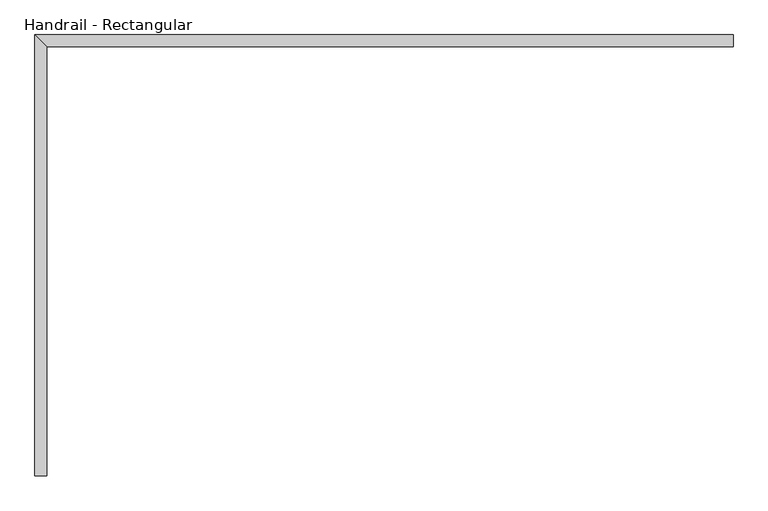
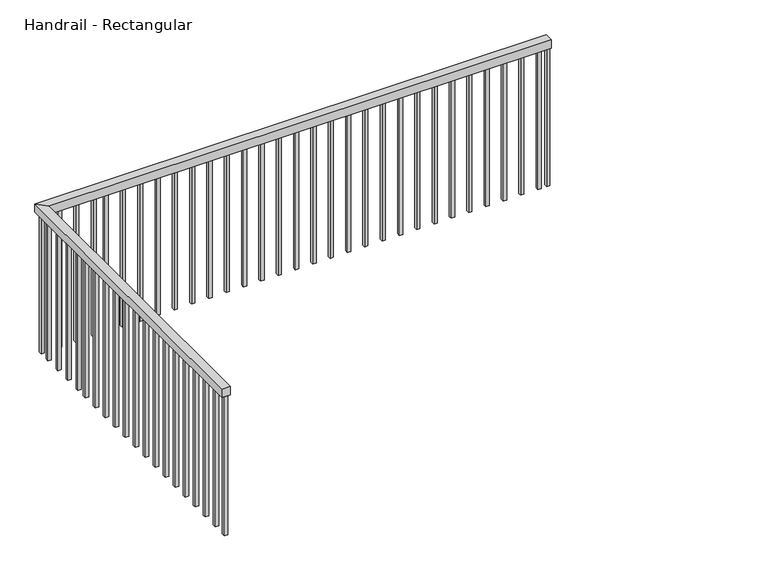
"""IFC4 building model written with IfcOpenShell, lengths in millimetres: railing geometry, Handrail - Rectangular."""

from ifc_helpers import new_model, si_unit, frame, origin, place, context, project, spatial, polyline, outline, extrude, faceted_brep, source, transform, mapped, element, save


def handrail_rectangular_eb7bdd3a(model_context):
    return source(origin(), model_context, "Body", "SolidModel", [
        faceted_brep([(-3486.8931506, 2340.0143899, 4204.4), (-3537.6931506, 2340.0143899, 4204.4), (-3537.6931506, 2340.0143899, 4153.6), (-3486.8931506, 2340.0143899, 4153.6), (-3486.8931506, 4186.2596911, 4204.4), (-3537.6931506, 4237.0596911, 4204.4), (-3537.6931506, 4237.0596911, 4153.6), (-3486.8931506, 4186.2596911, 4153.6), (-537.6931506, 4186.2596911, 4204.4), (-537.6931506, 4186.2596911, 4153.6), (-537.6931506, 4237.0596911, 4153.6), (-537.6931506, 4237.0596911, 4204.4)], [[[0, 1, 2, 3]], [[1, 0, 4, 5]], [[2, 1, 5, 6]], [[3, 2, 6, 7]], [[0, 3, 7, 4]], [[8, 9, 10, 11]], [[5, 4, 8, 11]], [[6, 5, 11, 10]], [[7, 6, 10, 9]], [[4, 7, 9, 8]]]),
        extrude(outline(polyline([(-607.2181506, 4202.1346911), (-607.2181506, 4221.1846911), (-588.1681506, 4221.1846911), (-588.1681506, 4202.1346911), (-607.2181506, 4202.1346911)])), frame((0.0, 0.0, 3290.0), z_axis=(0.0, 0.0, 1.0), x_axis=(1.0, 0.0, 0.0)), (0.0, 0.0, 1.0), 863.6),
        extrude(outline(polyline([(-708.8181506, 4202.1346911), (-708.8181506, 4221.1846911), (-689.7681506, 4221.1846911), (-689.7681506, 4202.1346911), (-708.8181506, 4202.1346911)])), frame((0.0, 0.0, 3290.0), z_axis=(0.0, 0.0, 1.0), x_axis=(1.0, 0.0, 0.0)), (0.0, 0.0, 1.0), 863.6),
        extrude(outline(polyline([(-810.4181506, 4202.1346911), (-810.4181506, 4221.1846911), (-791.3681506, 4221.1846911), (-791.3681506, 4202.1346911), (-810.4181506, 4202.1346911)])), frame((0.0, 0.0, 3290.0), z_axis=(0.0, 0.0, 1.0), x_axis=(1.0, 0.0, 0.0)), (0.0, 0.0, 1.0), 863.6),
        extrude(outline(polyline([(-912.0181506, 4202.1346911), (-912.0181506, 4221.1846911), (-892.9681506, 4221.1846911), (-892.9681506, 4202.1346911), (-912.0181506, 4202.1346911)])), frame((0.0, 0.0, 3290.0), z_axis=(0.0, 0.0, 1.0), x_axis=(1.0, 0.0, 0.0)), (0.0, 0.0, 1.0), 863.6),
        extrude(outline(polyline([(-1013.6181506, 4202.1346911), (-1013.6181506, 4221.1846911), (-994.5681506, 4221.1846911), (-994.5681506, 4202.1346911), (-1013.6181506, 4202.1346911)])), frame((0.0, 0.0, 3290.0), z_axis=(0.0, 0.0, 1.0), x_axis=(1.0, 0.0, 0.0)), (0.0, 0.0, 1.0), 863.6),
        extrude(outline(polyline([(-1115.2181506, 4202.1346911), (-1115.2181506, 4221.1846911), (-1096.1681506, 4221.1846911), (-1096.1681506, 4202.1346911), (-1115.2181506, 4202.1346911)])), frame((0.0, 0.0, 3290.0), z_axis=(0.0, 0.0, 1.0), x_axis=(1.0, 0.0, 0.0)), (0.0, 0.0, 1.0), 863.6),
        extrude(outline(polyline([(-1216.8181506, 4202.1346911), (-1216.8181506, 4221.1846911), (-1197.7681506, 4221.1846911), (-1197.7681506, 4202.1346911), (-1216.8181506, 4202.1346911)])), frame((0.0, 0.0, 3290.0), z_axis=(0.0, 0.0, 1.0), x_axis=(1.0, 0.0, 0.0)), (0.0, 0.0, 1.0), 863.6),
        extrude(outline(polyline([(-1318.4181506, 4202.1346911), (-1318.4181506, 4221.1846911), (-1299.3681506, 4221.1846911), (-1299.3681506, 4202.1346911), (-1318.4181506, 4202.1346911)])), frame((0.0, 0.0, 3290.0), z_axis=(0.0, 0.0, 1.0), x_axis=(1.0, 0.0, 0.0)), (0.0, 0.0, 1.0), 863.6),
        extrude(outline(polyline([(-1420.0181506, 4202.1346911), (-1420.0181506, 4221.1846911), (-1400.9681506, 4221.1846911), (-1400.9681506, 4202.1346911), (-1420.0181506, 4202.1346911)])), frame((0.0, 0.0, 3290.0), z_axis=(0.0, 0.0, 1.0), x_axis=(1.0, 0.0, 0.0)), (0.0, 0.0, 1.0), 863.6),
        extrude(outline(polyline([(-1521.6181506, 4202.1346911), (-1521.6181506, 4221.1846911), (-1502.5681506, 4221.1846911), (-1502.5681506, 4202.1346911), (-1521.6181506, 4202.1346911)])), frame((0.0, 0.0, 3290.0), z_axis=(0.0, 0.0, 1.0), x_axis=(1.0, 0.0, 0.0)), (0.0, 0.0, 1.0), 863.6),
        extrude(outline(polyline([(-1623.2181506, 4202.1346911), (-1623.2181506, 4221.1846911), (-1604.1681506, 4221.1846911), (-1604.1681506, 4202.1346911), (-1623.2181506, 4202.1346911)])), frame((0.0, 0.0, 3290.0), z_axis=(0.0, 0.0, 1.0), x_axis=(1.0, 0.0, 0.0)), (0.0, 0.0, 1.0), 863.6),
        extrude(outline(polyline([(-1724.8181506, 4202.1346911), (-1724.8181506, 4221.1846911), (-1705.7681506, 4221.1846911), (-1705.7681506, 4202.1346911), (-1724.8181506, 4202.1346911)])), frame((0.0, 0.0, 3290.0), z_axis=(0.0, 0.0, 1.0), x_axis=(1.0, 0.0, 0.0)), (0.0, 0.0, 1.0), 863.6),
        extrude(outline(polyline([(-1826.4181506, 4202.1346911), (-1826.4181506, 4221.1846911), (-1807.3681506, 4221.1846911), (-1807.3681506, 4202.1346911), (-1826.4181506, 4202.1346911)])), frame((0.0, 0.0, 3290.0), z_axis=(0.0, 0.0, 1.0), x_axis=(1.0, 0.0, 0.0)), (0.0, 0.0, 1.0), 863.6),
        extrude(outline(polyline([(-1928.0181506, 4202.1346911), (-1928.0181506, 4221.1846911), (-1908.9681506, 4221.1846911), (-1908.9681506, 4202.1346911), (-1928.0181506, 4202.1346911)])), frame((0.0, 0.0, 3290.0), z_axis=(0.0, 0.0, 1.0), x_axis=(1.0, 0.0, 0.0)), (0.0, 0.0, 1.0), 863.6),
        extrude(outline(polyline([(-2029.6181506, 4202.1346911), (-2029.6181506, 4221.1846911), (-2010.5681506, 4221.1846911), (-2010.5681506, 4202.1346911), (-2029.6181506, 4202.1346911)])), frame((0.0, 0.0, 3290.0), z_axis=(0.0, 0.0, 1.0), x_axis=(1.0, 0.0, 0.0)), (0.0, 0.0, 1.0), 863.6),
        extrude(outline(polyline([(-2131.2181506, 4202.1346911), (-2131.2181506, 4221.1846911), (-2112.1681506, 4221.1846911), (-2112.1681506, 4202.1346911), (-2131.2181506, 4202.1346911)])), frame((0.0, 0.0, 3290.0), z_axis=(0.0, 0.0, 1.0), x_axis=(1.0, 0.0, 0.0)), (0.0, 0.0, 1.0), 863.6),
        extrude(outline(polyline([(-2232.8181506, 4202.1346911), (-2232.8181506, 4221.1846911), (-2213.7681506, 4221.1846911), (-2213.7681506, 4202.1346911), (-2232.8181506, 4202.1346911)])), frame((0.0, 0.0, 3290.0), z_axis=(0.0, 0.0, 1.0), x_axis=(1.0, 0.0, 0.0)), (0.0, 0.0, 1.0), 863.6),
        extrude(outline(polyline([(-2334.4181506, 4202.1346911), (-2334.4181506, 4221.1846911), (-2315.3681506, 4221.1846911), (-2315.3681506, 4202.1346911), (-2334.4181506, 4202.1346911)])), frame((0.0, 0.0, 3290.0), z_axis=(0.0, 0.0, 1.0), x_axis=(1.0, 0.0, 0.0)), (0.0, 0.0, 1.0), 863.6),
        extrude(outline(polyline([(-2436.0181506, 4202.1346911), (-2436.0181506, 4221.1846911), (-2416.9681506, 4221.1846911), (-2416.9681506, 4202.1346911), (-2436.0181506, 4202.1346911)])), frame((0.0, 0.0, 3290.0), z_axis=(0.0, 0.0, 1.0), x_axis=(1.0, 0.0, 0.0)), (0.0, 0.0, 1.0), 863.6),
        extrude(outline(polyline([(-2537.6181506, 4202.1346911), (-2537.6181506, 4221.1846911), (-2518.5681506, 4221.1846911), (-2518.5681506, 4202.1346911), (-2537.6181506, 4202.1346911)])), frame((0.0, 0.0, 3290.0), z_axis=(0.0, 0.0, 1.0), x_axis=(1.0, 0.0, 0.0)), (0.0, 0.0, 1.0), 863.6),
        extrude(outline(polyline([(-2639.2181506, 4202.1346911), (-2639.2181506, 4221.1846911), (-2620.1681506, 4221.1846911), (-2620.1681506, 4202.1346911), (-2639.2181506, 4202.1346911)])), frame((0.0, 0.0, 3290.0), z_axis=(0.0, 0.0, 1.0), x_axis=(1.0, 0.0, 0.0)), (0.0, 0.0, 1.0), 863.6),
        extrude(outline(polyline([(-2740.8181506, 4202.1346911), (-2740.8181506, 4221.1846911), (-2721.7681506, 4221.1846911), (-2721.7681506, 4202.1346911), (-2740.8181506, 4202.1346911)])), frame((0.0, 0.0, 3290.0), z_axis=(0.0, 0.0, 1.0), x_axis=(1.0, 0.0, 0.0)), (0.0, 0.0, 1.0), 863.6),
        extrude(outline(polyline([(-2842.4181506, 4202.1346911), (-2842.4181506, 4221.1846911), (-2823.3681506, 4221.1846911), (-2823.3681506, 4202.1346911), (-2842.4181506, 4202.1346911)])), frame((0.0, 0.0, 3290.0), z_axis=(0.0, 0.0, 1.0), x_axis=(1.0, 0.0, 0.0)), (0.0, 0.0, 1.0), 863.6),
        extrude(outline(polyline([(-2944.0181506, 4202.1346911), (-2944.0181506, 4221.1846911), (-2924.9681506, 4221.1846911), (-2924.9681506, 4202.1346911), (-2944.0181506, 4202.1346911)])), frame((0.0, 0.0, 3290.0), z_axis=(0.0, 0.0, 1.0), x_axis=(1.0, 0.0, 0.0)), (0.0, 0.0, 1.0), 863.6),
        extrude(outline(polyline([(-3045.6181506, 4202.1346911), (-3045.6181506, 4221.1846911), (-3026.5681506, 4221.1846911), (-3026.5681506, 4202.1346911), (-3045.6181506, 4202.1346911)])), frame((0.0, 0.0, 3290.0), z_axis=(0.0, 0.0, 1.0), x_axis=(1.0, 0.0, 0.0)), (0.0, 0.0, 1.0), 863.6),
        extrude(outline(polyline([(-3217.0181506, 4202.1346911), (-3217.0181506, 4221.1846911), (-3197.9681506, 4221.1846911), (-3197.9681506, 4202.1346911), (-3217.0181506, 4202.1346911)])), frame((0.0, 0.0, 3290.0), z_axis=(0.0, 0.0, 1.0), x_axis=(1.0, 0.0, 0.0)), (0.0, 0.0, 1.0), 863.6),
        extrude(outline(polyline([(-3318.6181506, 4202.1346911), (-3318.6181506, 4221.1846911), (-3299.5681506, 4221.1846911), (-3299.5681506, 4202.1346911), (-3318.6181506, 4202.1346911)])), frame((0.0, 0.0, 3290.0), z_axis=(0.0, 0.0, 1.0), x_axis=(1.0, 0.0, 0.0)), (0.0, 0.0, 1.0), 863.6),
        extrude(outline(polyline([(-3420.2181506, 4202.1346911), (-3420.2181506, 4221.1846911), (-3401.1681506, 4221.1846911), (-3401.1681506, 4202.1346911), (-3420.2181506, 4202.1346911)])), frame((0.0, 0.0, 3290.0), z_axis=(0.0, 0.0, 1.0), x_axis=(1.0, 0.0, 0.0)), (0.0, 0.0, 1.0), 863.6),
        extrude(outline(polyline([(-3502.7681506, 4132.3346911), (-3521.8181506, 4132.3346911), (-3521.8181506, 4151.3846911), (-3502.7681506, 4151.3846911), (-3502.7681506, 4132.3346911)])), frame((0.0, 0.0, 3290.0), z_axis=(0.0, 0.0, 1.0), x_axis=(1.0, 0.0, 0.0)), (0.0, 0.0, 1.0), 863.6),
        extrude(outline(polyline([(-3502.7681506, 4030.7346911), (-3521.8181506, 4030.7346911), (-3521.8181506, 4049.7846911), (-3502.7681506, 4049.7846911), (-3502.7681506, 4030.7346911)])), frame((0.0, 0.0, 3290.0), z_axis=(0.0, 0.0, 1.0), x_axis=(1.0, 0.0, 0.0)), (0.0, 0.0, 1.0), 863.6),
        extrude(outline(polyline([(-3502.7681506, 3929.1346911), (-3521.8181506, 3929.1346911), (-3521.8181506, 3948.1846911), (-3502.7681506, 3948.1846911), (-3502.7681506, 3929.1346911)])), frame((0.0, 0.0, 3290.0), z_axis=(0.0, 0.0, 1.0), x_axis=(1.0, 0.0, 0.0)), (0.0, 0.0, 1.0), 863.6),
        extrude(outline(polyline([(-3502.7681506, 3752.8893899), (-3521.8181506, 3752.8893899), (-3521.8181506, 3771.9393899), (-3502.7681506, 3771.9393899), (-3502.7681506, 3752.8893899)])), frame((0.0, 0.0, 3290.0), z_axis=(0.0, 0.0, 1.0), x_axis=(1.0, 0.0, 0.0)), (0.0, 0.0, 1.0), 863.6),
        extrude(outline(polyline([(-3502.7681506, 3651.2893899), (-3521.8181506, 3651.2893899), (-3521.8181506, 3670.3393899), (-3502.7681506, 3670.3393899), (-3502.7681506, 3651.2893899)])), frame((0.0, 0.0, 3290.0), z_axis=(0.0, 0.0, 1.0), x_axis=(1.0, 0.0, 0.0)), (0.0, 0.0, 1.0), 863.6),
        extrude(outline(polyline([(-3502.7681506, 3549.6893899), (-3521.8181506, 3549.6893899), (-3521.8181506, 3568.7393899), (-3502.7681506, 3568.7393899), (-3502.7681506, 3549.6893899)])), frame((0.0, 0.0, 3290.0), z_axis=(0.0, 0.0, 1.0), x_axis=(1.0, 0.0, 0.0)), (0.0, 0.0, 1.0), 863.6),
        extrude(outline(polyline([(-3502.7681506, 3448.0893899), (-3521.8181506, 3448.0893899), (-3521.8181506, 3467.1393899), (-3502.7681506, 3467.1393899), (-3502.7681506, 3448.0893899)])), frame((0.0, 0.0, 3290.0), z_axis=(0.0, 0.0, 1.0), x_axis=(1.0, 0.0, 0.0)), (0.0, 0.0, 1.0), 863.6),
        extrude(outline(polyline([(-3502.7681506, 3346.4893899), (-3521.8181506, 3346.4893899), (-3521.8181506, 3365.5393899), (-3502.7681506, 3365.5393899), (-3502.7681506, 3346.4893899)])), frame((0.0, 0.0, 3290.0), z_axis=(0.0, 0.0, 1.0), x_axis=(1.0, 0.0, 0.0)), (0.0, 0.0, 1.0), 863.6),
        extrude(outline(polyline([(-3502.7681506, 3244.8893899), (-3521.8181506, 3244.8893899), (-3521.8181506, 3263.9393899), (-3502.7681506, 3263.9393899), (-3502.7681506, 3244.8893899)])), frame((0.0, 0.0, 3290.0), z_axis=(0.0, 0.0, 1.0), x_axis=(1.0, 0.0, 0.0)), (0.0, 0.0, 1.0), 863.6),
        extrude(outline(polyline([(-3502.7681506, 3143.2893899), (-3521.8181506, 3143.2893899), (-3521.8181506, 3162.3393899), (-3502.7681506, 3162.3393899), (-3502.7681506, 3143.2893899)])), frame((0.0, 0.0, 3290.0), z_axis=(0.0, 0.0, 1.0), x_axis=(1.0, 0.0, 0.0)), (0.0, 0.0, 1.0), 863.6),
        extrude(outline(polyline([(-3502.7681506, 3041.6893899), (-3521.8181506, 3041.6893899), (-3521.8181506, 3060.7393899), (-3502.7681506, 3060.7393899), (-3502.7681506, 3041.6893899)])), frame((0.0, 0.0, 3290.0), z_axis=(0.0, 0.0, 1.0), x_axis=(1.0, 0.0, 0.0)), (0.0, 0.0, 1.0), 863.6),
        extrude(outline(polyline([(-3502.7681506, 2940.0893899), (-3521.8181506, 2940.0893899), (-3521.8181506, 2959.1393899), (-3502.7681506, 2959.1393899), (-3502.7681506, 2940.0893899)])), frame((0.0, 0.0, 3290.0), z_axis=(0.0, 0.0, 1.0), x_axis=(1.0, 0.0, 0.0)), (0.0, 0.0, 1.0), 863.6),
        extrude(outline(polyline([(-3502.7681506, 2838.4893899), (-3521.8181506, 2838.4893899), (-3521.8181506, 2857.5393899), (-3502.7681506, 2857.5393899), (-3502.7681506, 2838.4893899)])), frame((0.0, 0.0, 3290.0), z_axis=(0.0, 0.0, 1.0), x_axis=(1.0, 0.0, 0.0)), (0.0, 0.0, 1.0), 863.6),
        extrude(outline(polyline([(-3502.7681506, 2736.8893899), (-3521.8181506, 2736.8893899), (-3521.8181506, 2755.9393899), (-3502.7681506, 2755.9393899), (-3502.7681506, 2736.8893899)])), frame((0.0, 0.0, 3290.0), z_axis=(0.0, 0.0, 1.0), x_axis=(1.0, 0.0, 0.0)), (0.0, 0.0, 1.0), 863.6),
        extrude(outline(polyline([(-3502.7681506, 2635.2893899), (-3521.8181506, 2635.2893899), (-3521.8181506, 2654.3393899), (-3502.7681506, 2654.3393899), (-3502.7681506, 2635.2893899)])), frame((0.0, 0.0, 3290.0), z_axis=(0.0, 0.0, 1.0), x_axis=(1.0, 0.0, 0.0)), (0.0, 0.0, 1.0), 863.6),
        extrude(outline(polyline([(-3502.7681506, 2533.6893899), (-3521.8181506, 2533.6893899), (-3521.8181506, 2552.7393899), (-3502.7681506, 2552.7393899), (-3502.7681506, 2533.6893899)])), frame((0.0, 0.0, 3290.0), z_axis=(0.0, 0.0, 1.0), x_axis=(1.0, 0.0, 0.0)), (0.0, 0.0, 1.0), 863.6),
        extrude(outline(polyline([(-3502.7681506, 2432.0893899), (-3521.8181506, 2432.0893899), (-3521.8181506, 2451.1393899), (-3502.7681506, 2451.1393899), (-3502.7681506, 2432.0893899)])), frame((0.0, 0.0, 3290.0), z_axis=(0.0, 0.0, 1.0), x_axis=(1.0, 0.0, 0.0)), (0.0, 0.0, 1.0), 863.6),
        extrude(outline(polyline([(-3147.2181506, 4202.1346911), (-3147.2181506, 4221.1846911), (-3128.1681506, 4221.1846911), (-3128.1681506, 4202.1346911), (-3147.2181506, 4202.1346911)])), frame((0.0, 0.0, 3290.0), z_axis=(0.0, 0.0, 1.0), x_axis=(1.0, 0.0, 0.0)), (0.0, 0.0, 1.0), 863.6),
        extrude(outline(polyline([(-3502.7681506, 4202.1346911), (-3521.8181506, 4202.1346911), (-3521.8181506, 4221.1846911), (-3502.7681506, 4221.1846911), (-3502.7681506, 4202.1346911)])), frame((0.0, 0.0, 3290.0), z_axis=(0.0, 0.0, 1.0), x_axis=(1.0, 0.0, 0.0)), (0.0, 0.0, 1.0), 863.6),
        extrude(outline(polyline([(-3502.7681506, 3827.5346911), (-3521.8181506, 3827.5346911), (-3521.8181506, 3846.5846911), (-3502.7681506, 3846.5846911), (-3502.7681506, 3827.5346911)])), frame((0.0, 0.0, 3290.0), z_axis=(0.0, 0.0, 1.0), x_axis=(1.0, 0.0, 0.0)), (0.0, 0.0, 1.0), 863.6),
        extrude(outline(polyline([(-556.7431506, 4202.1346911), (-556.7431506, 4221.1846911), (-537.6931506, 4221.1846911), (-537.6931506, 4202.1346911), (-556.7431506, 4202.1346911)])), frame((0.0, 0.0, 3290.0), z_axis=(0.0, 0.0, 1.0), x_axis=(1.0, 0.0, 0.0)), (0.0, 0.0, 1.0), 863.6),
        extrude(outline(polyline([(-3502.7681506, 2340.0143899), (-3521.8181506, 2340.0143899), (-3521.8181506, 2359.0643899), (-3502.7681506, 2359.0643899), (-3502.7681506, 2340.0143899)])), frame((0.0, 0.0, 3290.0), z_axis=(0.0, 0.0, 1.0), x_axis=(1.0, 0.0, 0.0)), (0.0, 0.0, 1.0), 863.6),
    ])


if __name__ == "__main__":
    model = new_model("IFC4")
    model_context = context("Model", 3, world=origin())
    ifc_project = project(units=[si_unit("LENGTHUNIT", "METRE", prefix="MILLI")], contexts=[model_context])
    site = spatial("IfcSite", under=ifc_project)
    building = spatial("IfcBuilding", under=site)
    placement = place(None, origin())
    handrail_rectangular_shape = handrail_rectangular_eb7bdd3a(model_context)
    element("IfcRailing", 1, ObjectType="Handrail - Rectangular", at=placement, inside=building, context=model_context, shape_type="MappedRepresentation", body=[
        mapped(handrail_rectangular_shape, transform((0.0, 0.0, 0.0), x_axis=(1.0, 0.0, 0.0), y_axis=(0.0, 1.0, 0.0), z_axis=(0.0, 0.0, 1.0))),
    ])
    save(model, "model.ifc")
